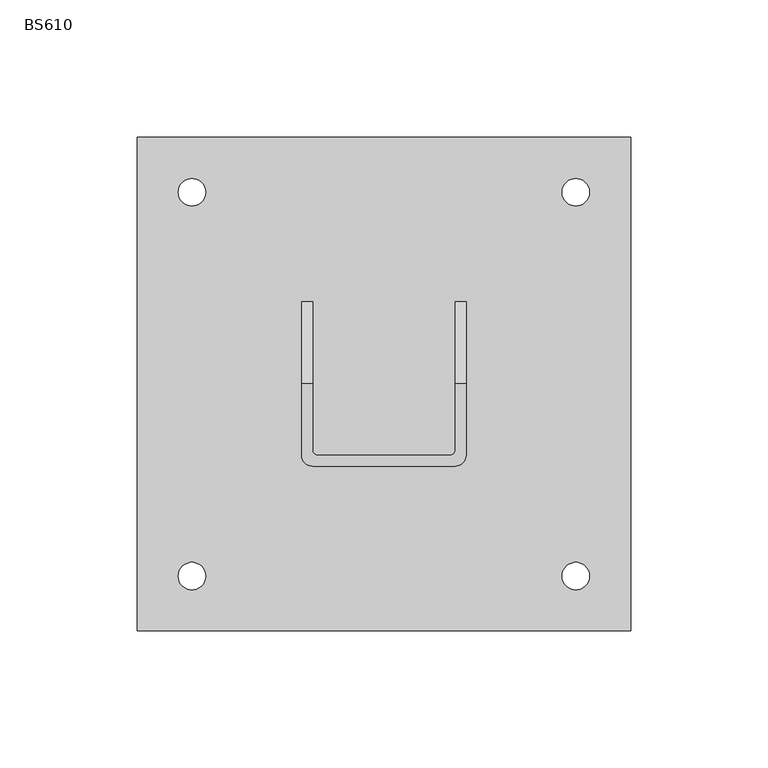
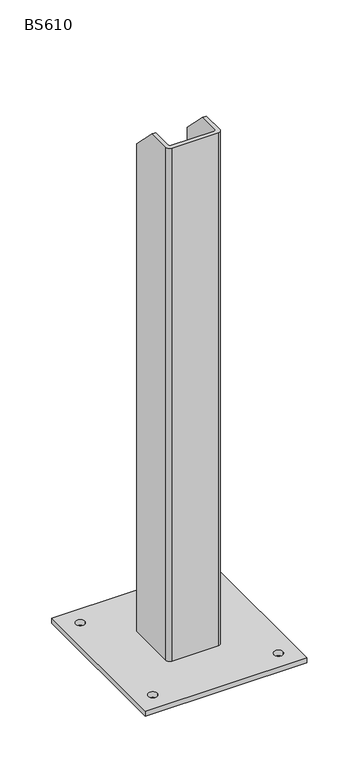
"""IFC4 building model written with IfcOpenShell, lengths in millimetres: proxy geometry, BS610."""

from ifc_helpers import new_model, si_unit, point, frame, frame_2d, origin, origin_with_axes, place, context, project, spatial, polyline, circle_curve, trimmed, segment, composite_curve, outline, extrude, source, transform, mapped, element, save
from ifc_brep_helpers import plane_surface, cylinder_surface, revolved_surface, advanced_brep


def bs610_ebe2b46b(model_context):
    return source(origin(), model_context, "Body", "SolidModel", [
        advanced_brep(
        [(-30.0, -26.0, 610.0), (-26.0, -30.0, 610.0), (26.0, -30.0, 610.0), (30.0, -26.0, 610.0), (30.0, 0.0, 610.0), (26.0, 0.0, 610.0), (26.0, -24.0, 610.0), (24.0, -26.0, 610.0), (-24.0, -26.0, 610.0), (-26.0, -24.0, 610.0), (-26.0, 0.0, 610.0), (-30.0, 0.0, 610.0), (-30.0, -26.0, 6.0), (-30.0, 30.0, 6.0), (-26.0, 30.0, 6.0), (-26.0, -24.0, 6.0), (-24.0, -26.0, 6.0), (24.0, -26.0, 6.0), (26.0, -24.0, 6.0), (26.0, 30.0, 6.0), (30.0, 30.0, 6.0), (30.0, -26.0, 6.0), (26.0, -30.0, 6.0), (-26.0, -30.0, 6.0), (30.0, 30.0, 580.0), (26.0, 30.0, 580.0), (-26.0, 30.0, 580.0), (-30.0, 30.0, 580.0)],
        [
            (0, 1, circle_curve(frame((-26.0, -26.0, 610.0), z_axis=(0.0, 0.0, 1.0), x_axis=(-1.0, 0.0, 0.0)), 4.0)),
            (1, 2),
            (2, 3, circle_curve(frame((26.0, -26.0, 610.0), z_axis=(0.0, 0.0, 1.0), x_axis=(-1.0, 0.0, 0.0)), 4.0)),
            (3, 4),
            (4, 5),
            (5, 6),
            (6, 7, circle_curve(frame((24.0, -24.0, 610.0), z_axis=(0.0, 0.0, -1.0), x_axis=(-1.0, 0.0, 0.0)), 2.0)),
            (7, 8),
            (8, 9, circle_curve(frame((-24.0, -24.0, 610.0), z_axis=(0.0, 0.0, -1.0), x_axis=(-1.0, 0.0, 0.0)), 2.0)),
            (9, 10),
            (10, 11),
            (11, 0),
            (12, 13),
            (13, 14),
            (14, 15),
            (15, 16, circle_curve(frame((-24.0, -24.0, 6.0), z_axis=(0.0, 0.0, 1.0), x_axis=(-1.0, 0.0, 0.0)), 2.0)),
            (16, 17),
            (17, 18, circle_curve(frame((24.0, -24.0, 6.0), z_axis=(0.0, 0.0, 1.0), x_axis=(-1.0, 0.0, 0.0)), 2.0)),
            (18, 19),
            (19, 20),
            (20, 21),
            (21, 22, circle_curve(frame((26.0, -26.0, 6.0), z_axis=(0.0, 0.0, -1.0), x_axis=(-1.0, 0.0, 0.0)), 4.0)),
            (22, 23),
            (23, 12, circle_curve(frame((-26.0, -26.0, 6.0), z_axis=(0.0, 0.0, -1.0), x_axis=(-1.0, 0.0, 0.0)), 4.0)),
            (0, 12),
            (23, 1),
            (22, 2),
            (21, 3),
            (20, 24),
            (24, 4),
            (19, 25),
            (25, 24),
            (18, 6),
            (5, 25),
            (17, 7),
            (16, 8),
            (15, 9),
            (14, 26),
            (26, 10),
            (13, 27),
            (27, 26),
            (11, 27),
        ],
        [
            plane_surface(frame((-30.0, -26.0, 610.0), z_axis=(0.0, 0.0, 1.0), x_axis=(0.0, -1.0, 0.0))),
            plane_surface(frame((-30.0, -26.0, 6.0), z_axis=(0.0, 0.0, -1.0), x_axis=(0.0, 1.0, 0.0))),
            cylinder_surface(frame((-26.0, -26.0, 6.0), z_axis=(0.0, 0.0, 1.0), x_axis=(-1.0, 0.0, 0.0)), 4.0),
            plane_surface(frame((-26.0, -30.0, 610.0), z_axis=(0.0, -1.0, 0.0), x_axis=(0.0, 0.0, -1.0))),
            cylinder_surface(frame((26.0, -26.0, 6.0), z_axis=(0.0, 0.0, 1.0), x_axis=(-1.0, 0.0, 0.0)), 4.0),
            plane_surface(frame((30.0, -26.0, 610.0), z_axis=(1.0, 0.0, 0.0), x_axis=(0.0, 0.0, -1.0))),
            plane_surface(frame((30.0, 30.0, 610.0), z_axis=(0.0, 1.0, 0.0), x_axis=(0.0, 0.0, -1.0))),
            plane_surface(frame((26.0, 30.0, 610.0), z_axis=(-1.0, 0.0, 0.0), x_axis=(0.0, 0.0, -1.0))),
            revolved_surface(polyline([(22.0, -24.0, 6.0), (22.0, -24.0, 610.0)]), (24.0, -24.0, 6.0), (0.0, 0.0, -1.0)),
            plane_surface(frame((24.0, -26.0, 610.0), z_axis=(0.0, 1.0, 0.0), x_axis=(0.0, 0.0, -1.0))),
            revolved_surface(polyline([(-26.0, -24.0, 6.0), (-26.0, -24.0, 610.0)]), (-24.0, -24.0, 6.0), (0.0, 0.0, -1.0)),
            plane_surface(frame((-26.0, -24.0, 610.0), z_axis=(1.0, 0.0, 0.0), x_axis=(0.0, 0.0, -1.0))),
            plane_surface(frame((-26.0, 30.0, 610.0), z_axis=(0.0, 1.0, 0.0), x_axis=(0.0, 0.0, -1.0))),
            plane_surface(frame((-30.0, 30.0, 610.0), z_axis=(-1.0, 0.0, 0.0), x_axis=(0.0, 0.0, -1.0))),
            plane_surface(frame((30.0, 0.0, 610.0), z_axis=(0.0, 0.7071067811865482, 0.7071067811865469), x_axis=(-1.0, 0.0, 0.0))),
            plane_surface(frame((-26.0, 0.0, 610.0), z_axis=(0.0, 0.7071067811865539, 0.7071067811865411), x_axis=(-1.0, 0.0, 0.0))),
        ],
        [
            (0, [[1, 2, 3, 4, 5, 6, 7, 8, 9, 10, 11, 12]]),
            (1, [[13, 14, 15, 16, 17, 18, 19, 20, 21, 22, 23, 24]]),
            (2, [[-1, 25, -24, 26]]),
            (3, [[-2, -26, -23, 27]]),
            (4, [[-3, -27, -22, 28]]),
            (5, [[-21, 29, 30, -4, -28]]),
            (6, [[-20, 31, 32, -29]]),
            (7, [[-19, 33, -6, 34, -31]]),
            (8, [[-7, -33, -18, 35]]),
            (9, [[-8, -35, -17, 36]]),
            (10, [[-9, -36, -16, 37]]),
            (11, [[-15, 38, 39, -10, -37]]),
            (12, [[-14, 40, 41, -38]]),
            (13, [[-13, -25, -12, 42, -40]]),
            (14, [[-5, -30, -32, -34]]),
            (15, [[-11, -39, -41, -42]]),
        ],
    ),
        extrude(outline(polyline([(90.0, 90.0), (90.0, -90.0), (-90.0, -90.0), (-90.0, 90.0), (90.0, 90.0)]), holes=[composite_curve([segment(trimmed(circle_curve(frame_2d((-70.0, 70.0)), 5.0), [point((-75.0, 70.0))], [point((-65.0, 70.0))], True, "CARTESIAN"), True, "CONTINUOUS"), segment(trimmed(circle_curve(frame_2d((-70.0, 70.0)), 5.0), [point((-65.0, 70.0))], [point((-75.0, 70.0))], True, "CARTESIAN"), True, "CONTINUOUS")], self_intersect=False), composite_curve([segment(trimmed(circle_curve(frame_2d((70.0, 70.0)), 5.0), [point((65.0, 70.0))], [point((75.0, 70.0))], True, "CARTESIAN"), True, "CONTINUOUS"), segment(trimmed(circle_curve(frame_2d((70.0, 70.0)), 5.0), [point((75.0, 70.0))], [point((65.0, 70.0))], True, "CARTESIAN"), True, "CONTINUOUS")], self_intersect=False), composite_curve([segment(trimmed(circle_curve(frame_2d((-70.0, -70.0)), 5.0), [point((-75.0, -70.0))], [point((-65.0, -70.0))], True, "CARTESIAN"), True, "CONTINUOUS"), segment(trimmed(circle_curve(frame_2d((-70.0, -70.0)), 5.0), [point((-65.0, -70.0))], [point((-75.0, -70.0))], True, "CARTESIAN"), True, "CONTINUOUS")], self_intersect=False), composite_curve([segment(trimmed(circle_curve(frame_2d((70.0, -70.0)), 5.0), [point((65.0, -70.0))], [point((75.0, -70.0))], True, "CARTESIAN"), True, "CONTINUOUS"), segment(trimmed(circle_curve(frame_2d((70.0, -70.0)), 5.0), [point((75.0, -70.0))], [point((65.0, -70.0))], True, "CARTESIAN"), True, "CONTINUOUS")], self_intersect=False)]), origin_with_axes(), (0.0, 0.0, 1.0), 6.0),
    ])


if __name__ == "__main__":
    model = new_model("IFC4")
    model_context = context("Model", 3, world=origin())
    ifc_project = project(units=[si_unit("LENGTHUNIT", "METRE", prefix="MILLI")], contexts=[model_context])
    site = spatial("IfcSite", under=ifc_project)
    building = spatial("IfcBuilding", under=site)
    placement = place(None, origin())
    bs610_shape = bs610_ebe2b46b(model_context)
    element("IfcBuildingElementProxy", 1, Name="BS610", ObjectType="BS610", at=placement, inside=building, context=model_context, shape_type="MappedRepresentation", body=[
        mapped(bs610_shape, transform((0.0, 0.0, 0.0), x_axis=(1.0, 0.0, 0.0), y_axis=(0.0, 1.0, 0.0), z_axis=(0.0, 0.0, 1.0))),
    ])
    save(model, "model.ifc")
